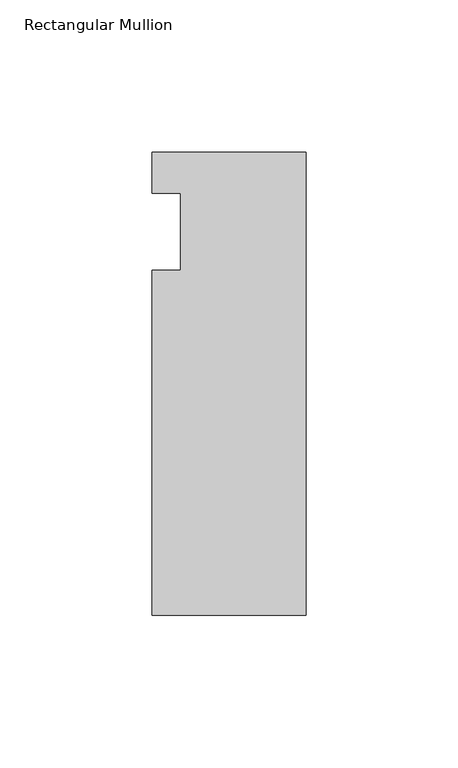
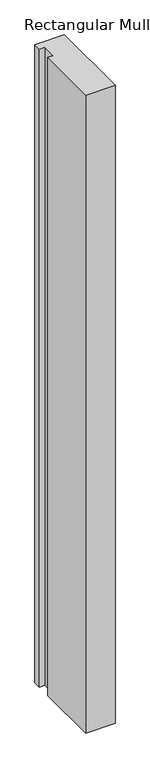
"""IFC4 building model written with IfcOpenShell, lengths in millimetres: member geometry, Rectangular Mullion."""

from ifc_helpers import new_model, si_unit, frame, origin, place, context, project, spatial, polyline, outline, extrude, source, transform, mapped, element, save


def rectangular_mullion_f122cc91(model_context):
    return source(origin(), model_context, "Body", "SweptSolid", [
        extrude(outline(polyline([(-50.8, 26.19375), (0.0, 26.19375), (0.0, -126.20625), (-50.8, -126.20625), (-50.8, -12.7), (-41.275, -12.7), (-41.275, 12.7), (-50.8, 12.7), (-50.8, 26.19375)])), frame((0.0, 0.0, -1168.4), z_axis=(0.0, 0.0, 1.0), x_axis=(1.0, 0.0, 0.0)), (0.0, 0.0, 1.0), 1168.4),
    ])


if __name__ == "__main__":
    model = new_model("IFC4")
    model_context = context("Model", 3, world=origin())
    ifc_project = project(units=[si_unit("LENGTHUNIT", "METRE", prefix="MILLI")], contexts=[model_context])
    site = spatial("IfcSite", under=ifc_project)
    building = spatial("IfcBuilding", under=site)
    placement = place(None, origin())
    rectangular_mullion_shape = rectangular_mullion_f122cc91(model_context)
    element("IfcMember", 1, ObjectType="Rectangular Mullion", at=placement, inside=building, context=model_context, shape_type="MappedRepresentation", body=[
        mapped(rectangular_mullion_shape, transform((0.0, 0.0, 0.0), x_axis=(1.0, 0.0, 0.0), y_axis=(0.0, 1.0, 0.0), z_axis=(0.0, 0.0, 1.0))),
    ])
    save(model, "model.ifc")
